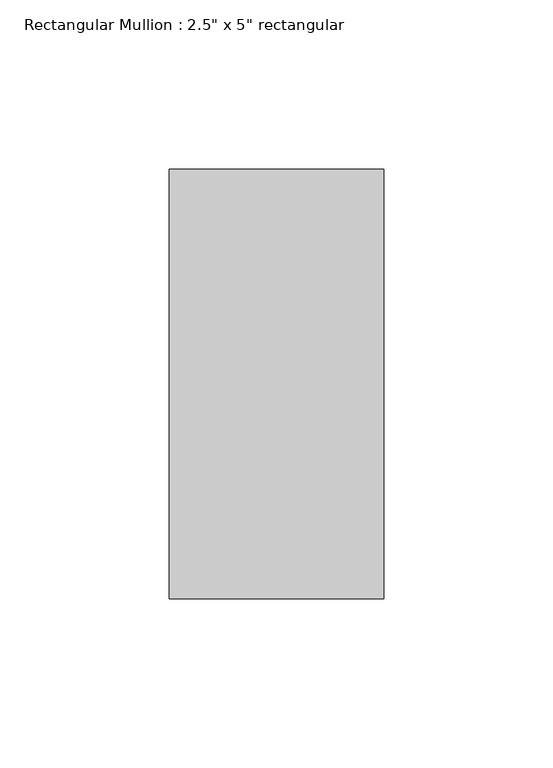
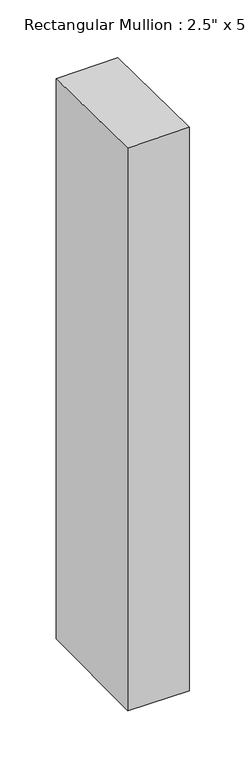
"""IFC4 building model written with IfcOpenShell, lengths in millimetres: member geometry."""

from ifc_helpers import new_model, si_unit, origin, place, context, project, spatial, faceted_brep, source, transform, mapped, element, save


def member_df65a6b8(model_context):
    return source(origin(), model_context, "Body", "Brep", [
        faceted_brep([(-63.5, 63.5, -1.3233816), (0.0, 63.5, -0.7547747), (0.0, 63.5, -610.6955456), (-63.5, 63.5, -610.2186868), (-63.5, -63.5, 0.1861678), (-63.5, -63.5, -611.7244039), (0.0, -63.5, 0.7547747), (0.0, -63.5, -612.2012627)], [[[0, 1, 2, 3]], [[4, 0, 3, 5]], [[6, 4, 5, 7]], [[1, 6, 7, 2]], [[1, 0, 4, 6]], [[2, 7, 5, 3]]]),
    ])


if __name__ == "__main__":
    model = new_model("IFC4")
    model_context = context("Model", 3, world=origin())
    ifc_project = project(units=[si_unit("LENGTHUNIT", "METRE", prefix="MILLI")], contexts=[model_context])
    site = spatial("IfcSite", under=ifc_project)
    building = spatial("IfcBuilding", under=site)
    placement = place(None, origin())
    member_shape = member_df65a6b8(model_context)
    element("IfcMember", 1, ObjectType="Rectangular Mullion : 2.5\" x 5\" rectangular", at=placement, inside=building, context=model_context, shape_type="MappedRepresentation", body=[
        mapped(member_shape, transform((0.0, 0.0, 0.0), x_axis=(1.0, 0.0, 0.0), y_axis=(0.0, 1.0, 0.0), z_axis=(0.0, 0.0, 1.0))),
    ])
    save(model, "model.ifc")
